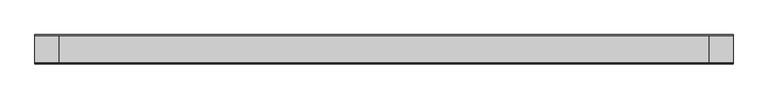
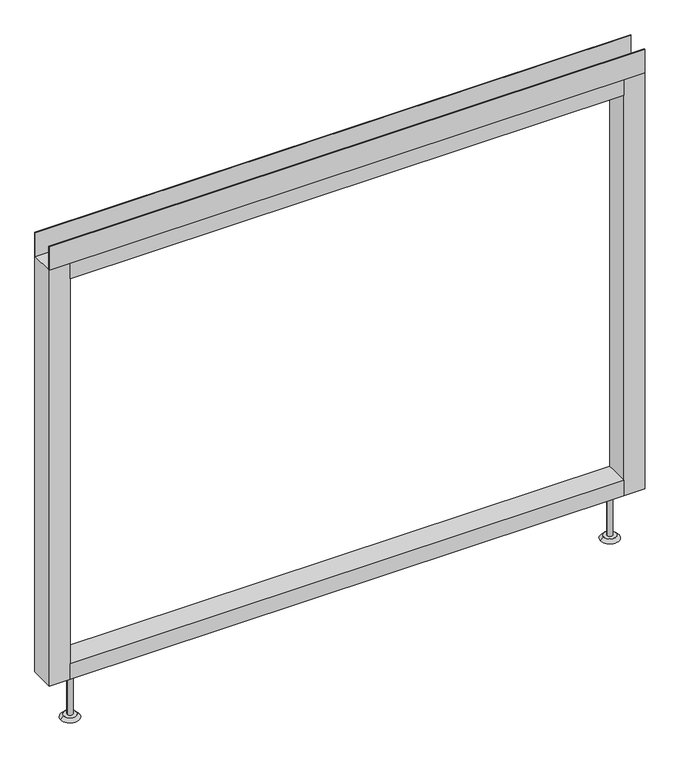
"""IFC4 building model written with IfcOpenShell, lengths in millimetres: furniture geometry."""

from ifc_helpers import new_model, si_unit, point, frame, frame_2d, origin, place, context, project, spatial, polyline, circle_curve, trimmed, segment, composite_curve, outline, extrude, source, transform, mapped, element, save
from ifc_brep_helpers import plane_surface, revolved_surface, advanced_brep


def furniture_eddaec9f(model_context):
    return source(origin(), model_context, "Body", "SolidModel", [
        advanced_brep(
        [(539.75, 0.0, 6.35), (565.15, 0.0, 6.35), (533.4, 0.0, 0.0), (571.5, 0.0, 0.0)],
        [
            (0, 1, circle_curve(frame((552.45, 0.0, 6.35), z_axis=(0.0, 0.0, 1.0), x_axis=(-1.0, 0.0, 0.0)), 12.7)),
            (1, 0, circle_curve(frame((552.45, 0.0, 6.35), z_axis=(0.0, 0.0, 1.0), x_axis=(1.0, 0.0, 0.0)), 12.7)),
            (2, 3, circle_curve(frame((552.45, 0.0, 0.0), z_axis=(0.0, 0.0, -1.0), x_axis=(1.0, 0.0, 0.0)), 19.05)),
            (3, 2, circle_curve(frame((552.45, 0.0, 0.0), z_axis=(0.0, 0.0, -1.0), x_axis=(-1.0, 0.0, 0.0)), 19.05)),
            (3, 1),
            (0, 2),
        ],
        [
            plane_surface(frame((552.45, 0.0, 6.35), z_axis=(0.0, 0.0, 1.0), x_axis=(0.0, -1.0, 0.0))),
            plane_surface(frame((552.45, 0.0, 0.0), z_axis=(0.0, 0.0, -1.0), x_axis=(0.0, -1.0, 0.0))),
            revolved_surface(polyline([(539.75, 0.0, 6.35), (533.4, 0.0, 0.0)]), (552.45, 0.0, 19.05), (0.0, 0.0, -1.0)),
            revolved_surface(polyline([(565.15, 0.0, 6.35), (571.5, 0.0, 0.0)]), (552.45, 0.0, 19.05), (0.0, 0.0, -1.0)),
        ],
        [
            (0, [[1, 2]]),
            (1, [[3, 4]]),
            (2, [[-4, 5, -1, 6]]),
            (3, [[-3, -6, -2, -5]]),
        ],
    ),
        advanced_brep(
        [(-565.15, 0.0, 6.35), (-539.75, 0.0, 6.35), (-571.5, 0.0, 0.0), (-533.4, 0.0, 0.0)],
        [
            (0, 1, circle_curve(frame((-552.45, 0.0, 6.35), z_axis=(0.0, 0.0, 1.0), x_axis=(-1.0, 0.0, 0.0)), 12.7)),
            (1, 0, circle_curve(frame((-552.45, 0.0, 6.35), z_axis=(0.0, 0.0, 1.0), x_axis=(1.0, 0.0, 0.0)), 12.7)),
            (2, 3, circle_curve(frame((-552.45, 0.0, 0.0), z_axis=(0.0, 0.0, -1.0), x_axis=(1.0, 0.0, 0.0)), 19.05)),
            (3, 2, circle_curve(frame((-552.45, 0.0, 0.0), z_axis=(0.0, 0.0, -1.0), x_axis=(-1.0, 0.0, 0.0)), 19.05)),
            (3, 1),
            (0, 2),
        ],
        [
            plane_surface(frame((-552.45, 0.0, 6.35), z_axis=(0.0, 0.0, 1.0), x_axis=(0.0, -1.0, 0.0))),
            plane_surface(frame((-552.45, 0.0, 0.0), z_axis=(0.0, 0.0, -1.0), x_axis=(0.0, -1.0, 0.0))),
            revolved_surface(polyline([(-565.15, 0.0, 6.35), (-571.5, 0.0, 0.0)]), (-552.45, 0.0, 19.05), (0.0, 0.0, -1.0)),
            revolved_surface(polyline([(-539.75, 0.0, 6.35), (-533.4, 0.0, 0.0)]), (-552.45, 0.0, 19.05), (0.0, 0.0, -1.0)),
        ],
        [
            (0, [[1, 2]]),
            (1, [[3, 4]]),
            (2, [[-4, 5, -1, 6]]),
            (3, [[-3, -6, -2, -5]]),
        ],
    ),
        extrude(outline(polyline([(609.6, -23.8125), (609.6, -25.4), (-609.6, -25.4), (-609.6, -23.8125), (609.6, -23.8125)])), frame((0.0, 0.0, 1000.633), z_axis=(0.0, 0.0, 1.0), x_axis=(1.0, 0.0, 0.0)), (0.0, 0.0, 1.0), 51.435),
        extrude(outline(polyline([(609.6, 25.4), (609.6, 23.8125), (-609.6, 23.8125), (-609.6, 25.4), (609.6, 25.4)])), frame((0.0, 0.0, 1000.633), z_axis=(0.0, 0.0, 1.0), x_axis=(1.0, 0.0, 0.0)), (0.0, 0.0, 1.0), 51.435),
        extrude(outline(polyline([(566.7375, -25.4), (-566.7375, -25.4), (-566.7375, 25.4), (566.7375, 25.4), (566.7375, -25.4)])), frame((0.0, 0.0, 967.74), z_axis=(0.0, 0.0, 1.0), x_axis=(1.0, 0.0, 0.0)), (0.0, 0.0, 1.0), 32.893),
        extrude(outline(polyline([(566.7375, -25.4), (-566.7375, -25.4), (-566.7375, 25.4), (566.7375, 25.4), (566.7375, -25.4)])), frame((0.0, 0.0, 101.6), z_axis=(0.0, 0.0, 1.0), x_axis=(1.0, 0.0, 0.0)), (0.0, 0.0, 1.0), 32.893),
        extrude(outline(composite_curve([segment(trimmed(circle_curve(frame_2d((-552.45, 0.0)), 5.55625), [point((-558.00625, 0.0))], [point((-546.89375, 0.0))], False, "CARTESIAN"), True, "CONTINUOUS"), segment(trimmed(circle_curve(frame_2d((-552.45, 0.0)), 5.55625), [point((-546.89375, 0.0))], [point((-558.00625, 0.0))], False, "CARTESIAN"), True, "CONTINUOUS")], self_intersect=False)), frame((0.0, 0.0, 6.35), z_axis=(0.0, 0.0, 1.0), x_axis=(1.0, 0.0, 0.0)), (0.0, 0.0, 1.0), 95.25),
        extrude(outline(composite_curve([segment(trimmed(circle_curve(frame_2d((552.45, 0.0)), 5.55625), [point((546.89375, 0.0))], [point((558.00625, 0.0))], False, "CARTESIAN"), True, "CONTINUOUS"), segment(trimmed(circle_curve(frame_2d((552.45, 0.0)), 5.55625), [point((558.00625, 0.0))], [point((546.89375, 0.0))], False, "CARTESIAN"), True, "CONTINUOUS")], self_intersect=False)), frame((0.0, 0.0, 6.35), z_axis=(0.0, 0.0, 1.0), x_axis=(1.0, 0.0, 0.0)), (0.0, 0.0, 1.0), 95.25),
        extrude(outline(polyline([(-566.7375, -25.4), (-609.6, -25.4), (-609.6, 25.4), (-566.7375, 25.4), (-566.7375, -25.4)])), frame((0.0, 0.0, 101.6), z_axis=(0.0, 0.0, 1.0), x_axis=(1.0, 0.0, 0.0)), (0.0, 0.0, 1.0), 899.033),
        extrude(outline(polyline([(609.6, -25.4), (566.7375, -25.4), (566.7375, 25.4), (609.6, 25.4), (609.6, -25.4)])), frame((0.0, 0.0, 101.6), z_axis=(0.0, 0.0, 1.0), x_axis=(1.0, 0.0, 0.0)), (0.0, 0.0, 1.0), 899.033),
    ])


if __name__ == "__main__":
    model = new_model("IFC4")
    model_context = context("Model", 3, world=origin())
    ifc_project = project(units=[si_unit("LENGTHUNIT", "METRE", prefix="MILLI")], contexts=[model_context])
    site = spatial("IfcSite", under=ifc_project)
    building = spatial("IfcBuilding", under=site)
    placement = place(None, origin())
    furniture_shape = furniture_eddaec9f(model_context)
    element("IfcFurniture", 1, at=placement, inside=building, context=model_context, shape_type="MappedRepresentation", body=[
        mapped(furniture_shape, transform((0.0, 0.0, 0.0), x_axis=(1.0, 0.0, 0.0), y_axis=(0.0, 1.0, 0.0), z_axis=(0.0, 0.0, 1.0))),
    ])
    save(model, "model.ifc")
